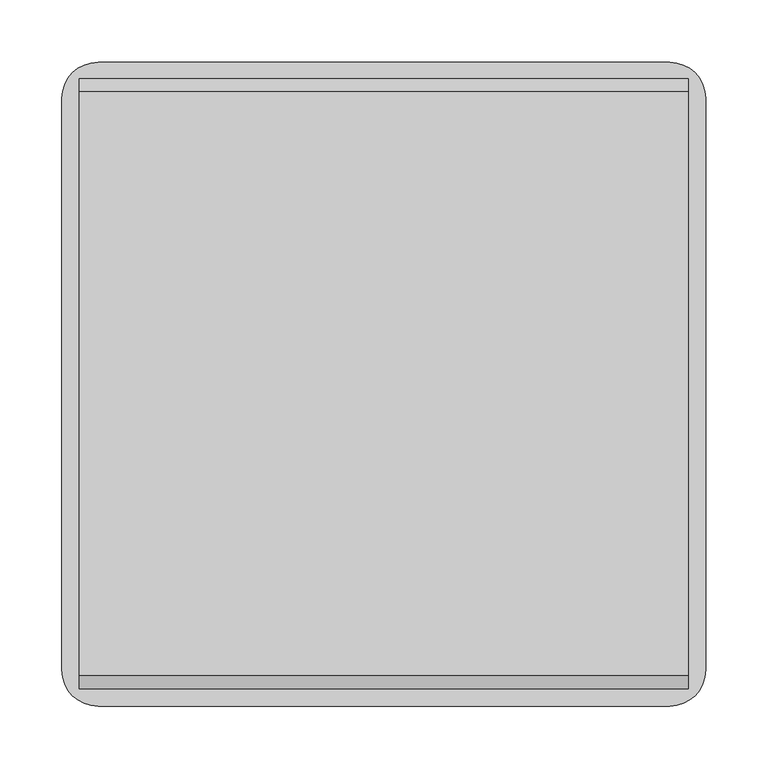
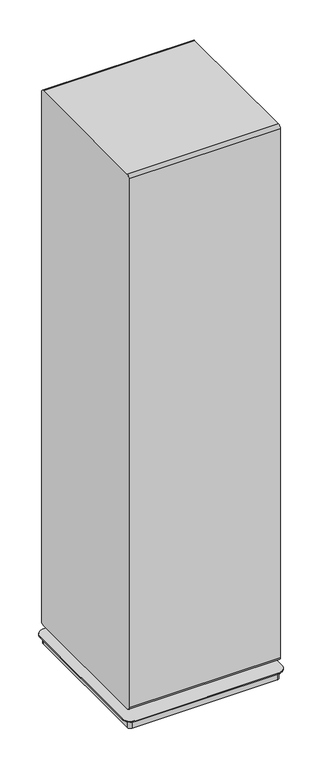
"""IFC4 building model written with IfcOpenShell, lengths in millimetres: furniture geometry."""

import ifcopenshell
import ifcopenshell.guid

model = None  # the IFC model being written
_history = None  # IfcOwnerHistory: only IFC2X3 demands one
_inside = {}  # id of a spatial element -> (the spatial element, [elements in it])
_under = {}  # id of a project, library or spatial element -> (it, [spatial elements below it])
_declared = {}  # id of a project -> (the project, [libraries it declares])
_typed = {}  # id of a type object -> (the type object, [elements of that type])
_made_of = {}  # id of a material, layer set ... -> (it, [elements and type objects made of it])


def new_model(schema):
    """Start an empty IFC model of exactly this schema.

    Asked for "IFC4X3", IfcOpenShell would pick the latest addendum, in which some entities
    have other attributes; the version numbers below select the first issue.
    IFC2X3 requires an IfcOwnerHistory on every rooted entity: one is made here for all.
    """
    global model, _history
    if schema == "IFC4X3":
        model = ifcopenshell.file(schema_version=(4, 3, 0, 0))
    else:
        model = ifcopenshell.file(schema=schema)
    _inside.clear()
    _under.clear()
    _declared.clear()
    _typed.clear()
    _made_of.clear()
    _history = None
    if model.schema == "IFC2X3":
        org = make("IfcOrganization", Name="unknown")
        user = make(
            "IfcPersonAndOrganization",
            ThePerson=make("IfcPerson", FamilyName="unknown"),
            TheOrganization=org,
        )
        app = make(
            "IfcApplication",
            ApplicationDeveloper=org,
            Version="unknown",
            ApplicationFullName="unknown",
            ApplicationIdentifier="unknown",
        )
        _history = make(
            "IfcOwnerHistory",
            OwningUser=user,
            OwningApplication=app,
            ChangeAction="ADDED",
            CreationDate=0,
        )
    return model


def make(cls, **values):
    """One entity of the class cls with the attributes given. An attribute that is None is left unset."""
    return model.create_entity(
        cls, **{name: value for name, value in values.items() if value is not None}
    )


def rooted(cls, **values):
    """An entity with a GlobalId (a new one), such as an element, a storey or a relation."""
    return make(cls, GlobalId=ifcopenshell.guid.new(), OwnerHistory=_history, **values)


def si_unit(unit_type, name, prefix=None):
    """IfcSIUnit, for example si_unit("LENGTHUNIT", "METRE", prefix="MILLI")."""
    return make("IfcSIUnit", UnitType=unit_type, Prefix=prefix, Name=name)


def assignment(units):
    """IfcUnitAssignment: the units of a project."""
    return None if units is None else make("IfcUnitAssignment", Units=units)


def point(xyz):
    """IfcCartesianPoint."""
    return None if xyz is None else make("IfcCartesianPoint", Coordinates=xyz)


def direction(xyz):
    """IfcDirection."""
    return None if xyz is None else make("IfcDirection", DirectionRatios=xyz)


def frame(location, z_axis=None, x_axis=None):
    """IfcAxis2Placement3D, a coordinate frame: its origin and axes. An axis left out is left unset."""
    return make(
        "IfcAxis2Placement3D",
        Location=point(location),
        Axis=direction(z_axis),
        RefDirection=direction(x_axis),
    )


def frame_2d(location, x_axis=None):
    """IfcAxis2Placement2D, a coordinate frame in the plane: its origin and x axis."""
    return make(
        "IfcAxis2Placement2D", Location=point(location), RefDirection=direction(x_axis)
    )


def origin():
    """The frame at (0, 0, 0) with its axes left unset."""
    return frame((0.0, 0.0, 0.0))


def place(relative_to, where):
    """IfcLocalPlacement: puts the frame where relative to a parent placement (None: the world)."""
    return make(
        "IfcLocalPlacement", PlacementRelTo=relative_to, RelativePlacement=where
    )


def context(
    kind, dimensions, precision=None, world=None, true_north=None, identifier=None
):
    """IfcGeometricRepresentationContext, for example the 3D "Model" context."""
    return make(
        "IfcGeometricRepresentationContext",
        ContextIdentifier=identifier,
        ContextType=kind,
        CoordinateSpaceDimension=dimensions,
        Precision=precision,
        WorldCoordinateSystem=world,
        TrueNorth=true_north,
    )


def project(units=None, contexts=None):
    """IfcProject with its units and contexts."""
    return rooted(
        "IfcProject",
        Name="project",
        RepresentationContexts=contexts,
        UnitsInContext=assignment(units),
    )


def spatial(cls, under=None, at=None, **own):
    """A site, building, storey or space (cls), placed at a placement, below another one or the project."""
    s = rooted(cls, ObjectPlacement=at, **own)
    if under is not None:
        _under.setdefault(under.id(), (under, []))[1].append(s)
    return s


def polyline(points):
    """IfcPolyline through the points."""
    return make("IfcPolyline", Points=[point(p) for p in points])


def circle_curve(where, radius):
    """IfcCircle in the frame where."""
    return make("IfcCircle", Position=where, Radius=radius)


def trimmed(basis, trim1, trim2, sense, master):
    """IfcTrimmedCurve: the piece of a basis curve between two trims."""
    return make(
        "IfcTrimmedCurve",
        BasisCurve=basis,
        Trim1=trim1,
        Trim2=trim2,
        SenseAgreement=sense,
        MasterRepresentation=master,
    )


def segment(curve, same_sense, transition):
    """IfcCompositeCurveSegment."""
    return make(
        "IfcCompositeCurveSegment",
        Transition=transition,
        SameSense=same_sense,
        ParentCurve=curve,
    )


def composite_curve(segments, self_intersect=None):
    """IfcCompositeCurve: segments joined end to end."""
    return make("IfcCompositeCurve", Segments=segments, SelfIntersect=self_intersect)


def outline(outer, holes=None, kind="AREA"):
    """IfcArbitraryClosedProfileDef: a profile drawn as a closed curve; with holes, ...WithVoids."""
    if holes is None:
        return make("IfcArbitraryClosedProfileDef", ProfileType=kind, OuterCurve=outer)
    return make(
        "IfcArbitraryProfileDefWithVoids",
        ProfileType=kind,
        OuterCurve=outer,
        InnerCurves=holes,
    )


def extrude(swept, where, along, depth):
    """IfcExtrudedAreaSolid: the profile swept, set in the frame where, extruded along a direction by depth."""
    return make(
        "IfcExtrudedAreaSolid",
        SweptArea=swept,
        Position=where,
        ExtrudedDirection=direction(along),
        Depth=depth,
    )


def shape(context_of_items, identifier, shape_type, items):
    """IfcShapeRepresentation: the items that make up one representation, for example the "Body"."""
    return make(
        "IfcShapeRepresentation",
        ContextOfItems=context_of_items,
        RepresentationIdentifier=identifier,
        RepresentationType=shape_type,
        Items=items,
    )


def source(mapping_origin, context_of_items, identifier, shape_type, items):
    """IfcRepresentationMap: a shape defined once, which mapped items show again and again."""
    return make(
        "IfcRepresentationMap",
        MappingOrigin=mapping_origin,
        MappedRepresentation=shape(context_of_items, identifier, shape_type, items),
    )


def transform(
    local_origin,
    x_axis=None,
    y_axis=None,
    z_axis=None,
    scale=None,
    scale2=None,
    scale3=None,
    uniform=True,
):
    """IfcCartesianTransformationOperator3D, or its non-uniform kind. x_axis, y_axis, z_axis: its Axis1, 2, 3."""
    if uniform:
        return make(
            "IfcCartesianTransformationOperator3D",
            Axis1=direction(x_axis),
            Axis2=direction(y_axis),
            LocalOrigin=point(local_origin),
            Scale=scale,
            Axis3=direction(z_axis),
        )
    return make(
        "IfcCartesianTransformationOperator3DnonUniform",
        Axis1=direction(x_axis),
        Axis2=direction(y_axis),
        LocalOrigin=point(local_origin),
        Scale=scale,
        Axis3=direction(z_axis),
        Scale2=scale2,
        Scale3=scale3,
    )


def mapped(mapping_source, mapping_target):
    """IfcMappedItem: shows the shape of a source again, moved by a transform."""
    return make(
        "IfcMappedItem", MappingSource=mapping_source, MappingTarget=mapping_target
    )


def made_of(thing, what):
    """Note that an element or type object is made of a material, layer set ...; save() writes the relation."""
    if what is not None:
        _made_of.setdefault(what.id(), (what, []))[1].append(thing)
    return thing


def element(
    cls,
    number,
    at=None,
    inside=None,
    cuts=None,
    type_object=None,
    material=None,
    context=None,
    identifier="Body",
    shape_type=None,
    held_by="IfcProductDefinitionShape",
    body=None,
    shapes=None,
    **own,
):
    """One element of the class cls, such as IfcWall. Its Tag is "e" and its number.

    at: its placement. inside: the storey or other place that contains it. cuts: it is an
    opening in that element (IfcRelVoidsElement). A single representation is given by context,
    identifier, shape_type and body (its items); several are given by shapes. held_by: the class
    of the entity that holds the representations. save() writes the other relations.
    """
    e = rooted(cls, Tag="e%d" % number, ObjectPlacement=at, **own)
    if body is not None:
        shapes = [shape(context, identifier, shape_type, body)]
    if shapes is not None:
        e.Representation = make(held_by, Representations=shapes)
    if inside is not None:
        _inside.setdefault(inside.id(), (inside, []))[1].append(e)
    if cuts is not None:
        rooted(
            "IfcRelVoidsElement", RelatingBuildingElement=cuts, RelatedOpeningElement=e
        )
    if type_object is not None:
        _typed.setdefault(type_object.id(), (type_object, []))[1].append(e)
    return made_of(e, material)


def aggregate(whole, parts):
    """IfcRelAggregates: a whole, such as a stair, and the parts it consists of."""
    return rooted("IfcRelAggregates", RelatingObject=whole, RelatedObjects=parts)


def save(model, path):
    """Write the relations noted so far, then the file.

    IfcRelAggregates (storeys below a building ...), IfcRelContainedInSpatialStructure (elements
    in a storey), IfcRelDefinesByType, IfcRelAssociatesMaterial and IfcRelDeclares: one each for
    every whole, place, type object, material and project.
    """
    for whole, parts in _under.values():
        aggregate(whole, parts)
    for where, things in _inside.values():
        rooted(
            "IfcRelContainedInSpatialStructure",
            RelatedElements=things,
            RelatingStructure=where,
        )
    for kind, things in _typed.values():
        rooted("IfcRelDefinesByType", RelatedObjects=things, RelatingType=kind)
    for what, things in _made_of.values():
        rooted("IfcRelAssociatesMaterial", RelatedObjects=things, RelatingMaterial=what)
    for by, libraries in _declared.values():
        rooted("IfcRelDeclares", RelatingContext=by, RelatedDefinitions=libraries)
    model.write(path)


def plane_surface(at):
    """IfcPlane: the flat surface through the origin of the frame at, square to its z axis."""
    return make("IfcPlane", Position=at)


def cylinder_surface(at, radius):
    """IfcCylindricalSurface: all points at the distance radius from the z axis of the frame at."""
    return make("IfcCylindricalSurface", Position=at, Radius=radius)


def advanced_brep(points, edges, surfaces, faces):
    """IfcAdvancedBrep: a solid bounded by faces that lie on surfaces and meet in shared edges.

    An edge is (start, end): straight between two places in points (the first is 0);
    or (start, end, curve); or (start, end, curve, False) where it runs against its curve.
    A face is (place in surfaces, loops), or (place, loops, False) where it looks against
    its surface's normal. A loop lists edges by number (the first is 1), with a minus sign
    where the edge is run from its end to its start. The first loop is the outer one.
    """
    corners = [point(p) for p in points]
    vertices = [make("IfcVertexPoint", VertexGeometry=c) for c in corners]
    made = []
    for start, end, *more in edges:
        made.append(
            make(
                "IfcEdgeCurve",
                EdgeStart=vertices[start],
                EdgeEnd=vertices[end],
                EdgeGeometry=more[0] if more else make("IfcPolyline", Points=[corners[start], corners[end]]),
                SameSense=more[1] if len(more) > 1 else True,
            )
        )
    hull = []
    for where, loops, *sense in faces:
        bounds = []
        for j, loop in enumerate(loops):
            ring = [make("IfcOrientedEdge", EdgeElement=made[abs(k) - 1], Orientation=k > 0) for k in loop]
            bounds.append(
                make(
                    "IfcFaceOuterBound" if j == 0 else "IfcFaceBound",
                    Bound=make("IfcEdgeLoop", EdgeList=ring),
                    Orientation=True,
                )
            )
        hull.append(make("IfcAdvancedFace", Bounds=bounds, FaceSurface=surfaces[where], SameSense=sense[0] if sense else True))
    return make("IfcAdvancedBrep", Outer=make("IfcClosedShell", CfsFaces=hull))


def furniture_6dbfd1be(model_context):
    return source(origin(), model_context, "Body", "SolidModel", [
        extrude(outline(composite_curve([segment(polyline([(290.6410876, 1889.4598963), (290.6410876, 73.6296543)]), True, "CONTINUOUS"), segment(trimmed(circle_curve(frame_2d((281.0114376, 73.6296543)), 9.62965), [point((290.6410876, 73.6296543))], [point((281.0114376, 64.0000043))], False, "CARTESIAN"), True, "CONTINUOUS"), segment(polyline([(281.0114376, 64.0000043), (-192.1114376, 64.0000043)]), True, "CONTINUOUS"), segment(trimmed(circle_curve(frame_2d((-192.1114376, 73.6296543)), 9.62965), [point((-192.1114376, 64.0000043))], [point((-201.7410876, 73.6296543))], False, "CARTESIAN"), True, "CONTINUOUS"), segment(polyline([(-201.7410876, 73.6296543), (-201.7410876, 1889.4598963)]), True, "CONTINUOUS"), segment(trimmed(circle_curve(frame_2d((-191.2611401, 1889.4598963)), 10.4799474), [point((-201.7410876, 1889.4598963))], [point((-191.2611401, 1899.9398437))], False, "CARTESIAN"), True, "CONTINUOUS"), segment(polyline([(-191.2611401, 1899.9398437), (280.1611401, 1899.9398437)]), True, "CONTINUOUS"), segment(trimmed(circle_curve(frame_2d((280.1611401, 1889.4598963)), 10.4799474), [point((280.1611401, 1899.9398437))], [point((290.6410876, 1889.4598963))], False, "CARTESIAN"), True, "CONTINUOUS")], self_intersect=False)), frame((574.621703, 0.0, 0.0), z_axis=(1.0, 0.0, 0.0), x_axis=(0.0, 1.0, 0.0)), (0.0, 0.0, 1.0), 491.9054206),
        advanced_brep(
        [(1051.3572258, 304.403125, 33.0000002), (589.7738875, 304.403125, 33.0000002), (560.6212883, 275.2505257, 33.0000002), (560.6212883, -186.3328125, 33.0000002), (589.7916008, -215.503125, 33.0000002), (1051.3572258, -215.503125, 33.0000002), (1080.5275383, -186.3328125, 33.0000002), (1080.5275383, 275.2328125, 33.0000002), (660.5044457, 214.4034084, 33.0000002), (640.5808102, 214.4034084, 33.0000002), (1000.5680164, 214.4034084, 33.0000002), (980.6443808, 214.4034084, 33.0000002), (660.5044457, -125.5034084, 33.0000002), (640.5808102, -125.5034084, 33.0000002), (1000.5680164, -125.5034084, 33.0000002), (980.6443808, -125.5034084, 33.0000002), (1051.3572258, 304.403125, 30.0000016), (1080.5275383, 275.2328125, 30.0000016), (1080.5275383, -186.3328125, 30.0000016), (1051.3572258, -215.503125, 30.0000016), (589.7916008, -215.503125, 30.0000016), (560.6212883, -186.3328125, 30.0000016), (560.6212883, 275.2505257, 30.0000016), (589.7738875, 304.403125, 30.0000016), (584.1152247, 290.4742373, 30.0000016), (574.7886622, 281.1476748, 30.0000016), (574.7886622, -191.8652105, 30.0000016), (584.1152247, -201.191773, 30.0000016), (1057.1281646, -201.191773, 30.0000016), (1066.4547271, -191.8652105, 30.0000016), (1066.4547271, 281.1066599, 30.0000016), (1057.0871496, 290.4742373, 30.0000016), (584.1152247, 290.4742373, 0.0), (1057.0871496, 290.4742373, 0.0), (1066.4547271, 281.1066599, 0.0), (1066.4547271, -191.8652105, 0.0), (1057.1281646, -201.191773, 0.0), (584.1152247, -201.191773, 0.0), (574.7886622, -191.8652105, 0.0), (574.7886622, 281.1476748, 0.0), (640.5808102, 214.4034084, 64.0000043), (660.5044457, 214.4034084, 64.0000043), (980.6443808, 214.4034084, 64.0000043), (1000.5680164, 214.4034084, 64.0000043), (640.5808102, -125.5034084, 64.0000043), (660.5044457, -125.5034084, 64.0000043), (980.6443808, -125.5034084, 64.0000043), (1000.5680164, -125.5034084, 64.0000043)],
        [
            (0, 1),
            (1, 2, circle_curve(frame((589.7738875, 275.2505257, 33.0000002), z_axis=(0.0, 0.0, 1.0), x_axis=(1.0, 0.0, 0.0)), 29.1525993)),
            (2, 3),
            (3, 4, circle_curve(frame((589.7916008, -186.3328125, 33.0000002), z_axis=(0.0, 0.0, 1.0), x_axis=(1.0, 0.0, 0.0)), 29.1703125)),
            (4, 5),
            (5, 6, circle_curve(frame((1051.3572258, -186.3328125, 33.0000002), z_axis=(0.0, 0.0, 1.0), x_axis=(1.0, 0.0, 0.0)), 29.1703125)),
            (6, 7),
            (7, 0, circle_curve(frame((1051.3572258, 275.2328125, 33.0000002), z_axis=(0.0, 0.0, 1.0), x_axis=(1.0, 0.0, 0.0)), 29.1703125)),
            (8, 9, circle_curve(frame((650.5426279, 214.4034084, 33.0000002), z_axis=(0.0, 0.0, -1.0), x_axis=(1.0, 0.0, 0.0)), 9.9618178)),
            (9, 8, circle_curve(frame((650.5426279, 214.4034084, 33.0000002), z_axis=(0.0, 0.0, -1.0), x_axis=(1.0, 0.0, 0.0)), 9.9618178)),
            (10, 11, circle_curve(frame((990.6061986, 214.4034084, 33.0000002), z_axis=(0.0, 0.0, -1.0), x_axis=(1.0, 0.0, 0.0)), 9.9618178)),
            (11, 10, circle_curve(frame((990.6061986, 214.4034084, 33.0000002), z_axis=(0.0, 0.0, -1.0), x_axis=(1.0, 0.0, 0.0)), 9.9618178)),
            (12, 13, circle_curve(frame((650.5426279, -125.5034084, 33.0000002), z_axis=(0.0, 0.0, -1.0), x_axis=(1.0, 0.0, 0.0)), 9.9618178)),
            (13, 12, circle_curve(frame((650.5426279, -125.5034084, 33.0000002), z_axis=(0.0, 0.0, -1.0), x_axis=(1.0, 0.0, 0.0)), 9.9618178)),
            (14, 15, circle_curve(frame((990.6061986, -125.5034084, 33.0000002), z_axis=(0.0, 0.0, -1.0), x_axis=(1.0, 0.0, 0.0)), 9.9618178)),
            (15, 14, circle_curve(frame((990.6061986, -125.5034084, 33.0000002), z_axis=(0.0, 0.0, -1.0), x_axis=(1.0, 0.0, 0.0)), 9.9618178)),
            (16, 17, circle_curve(frame((1051.3572258, 275.2328125, 30.0000016), z_axis=(0.0, 0.0, -1.0), x_axis=(1.0, 0.0, 0.0)), 29.1703125)),
            (17, 18),
            (18, 19, circle_curve(frame((1051.3572258, -186.3328125, 30.0000016), z_axis=(0.0, 0.0, -1.0), x_axis=(1.0, 0.0, 0.0)), 29.1703125)),
            (19, 20),
            (20, 21, circle_curve(frame((589.7916008, -186.3328125, 30.0000016), z_axis=(0.0, 0.0, -1.0), x_axis=(1.0, 0.0, 0.0)), 29.1703125)),
            (21, 22),
            (22, 23, circle_curve(frame((589.7738875, 275.2505257, 30.0000016), z_axis=(0.0, 0.0, -1.0), x_axis=(1.0, 0.0, 0.0)), 29.1525993)),
            (23, 16),
            (24, 25, circle_curve(frame((584.1152247, 281.1476748, 30.0000016), z_axis=(0.0, 0.0, 1.0), x_axis=(1.0, 0.0, 0.0)), 9.3265625)),
            (25, 26),
            (26, 27, circle_curve(frame((584.1152247, -191.8652105, 30.0000016), z_axis=(0.0, 0.0, 1.0), x_axis=(1.0, 0.0, 0.0)), 9.3265625)),
            (27, 28),
            (28, 29, circle_curve(frame((1057.1281646, -191.8652105, 30.0000016), z_axis=(0.0, 0.0, 1.0), x_axis=(1.0, 0.0, 0.0)), 9.3265625)),
            (29, 30),
            (30, 31, circle_curve(frame((1057.0871496, 281.1066599, 30.0000016), z_axis=(0.0, 0.0, 1.0), x_axis=(1.0, 0.0, 0.0)), 9.3675774)),
            (31, 24),
            (32, 33),
            (33, 34, circle_curve(frame((1057.0871496, 281.1066599, 0.0), z_axis=(0.0, 0.0, -1.0), x_axis=(1.0, 0.0, 0.0)), 9.3675774)),
            (34, 35),
            (35, 36, circle_curve(frame((1057.1281646, -191.8652105, 0.0), z_axis=(0.0, 0.0, -1.0), x_axis=(1.0, 0.0, 0.0)), 9.3265625)),
            (36, 37),
            (37, 38, circle_curve(frame((584.1152247, -191.8652105, 0.0), z_axis=(0.0, 0.0, -1.0), x_axis=(1.0, 0.0, 0.0)), 9.3265625)),
            (38, 39),
            (39, 32, circle_curve(frame((584.1152247, 281.1476748, 0.0), z_axis=(0.0, 0.0, -1.0), x_axis=(1.0, 0.0, 0.0)), 9.3265625)),
            (40, 41, circle_curve(frame((650.5426279, 214.4034084, 64.0000043), z_axis=(0.0, 0.0, 1.0), x_axis=(1.0, 0.0, 0.0)), 9.9618178)),
            (41, 40, circle_curve(frame((650.5426279, 214.4034084, 64.0000043), z_axis=(0.0, 0.0, 1.0), x_axis=(1.0, 0.0, 0.0)), 9.9618178)),
            (42, 43, circle_curve(frame((990.6061986, 214.4034084, 64.0000043), z_axis=(0.0, 0.0, 1.0), x_axis=(1.0, 0.0, 0.0)), 9.9618178)),
            (43, 42, circle_curve(frame((990.6061986, 214.4034084, 64.0000043), z_axis=(0.0, 0.0, 1.0), x_axis=(1.0, 0.0, 0.0)), 9.9618178)),
            (44, 45, circle_curve(frame((650.5426279, -125.5034084, 64.0000043), z_axis=(0.0, 0.0, 1.0), x_axis=(1.0, 0.0, 0.0)), 9.9618178)),
            (45, 44, circle_curve(frame((650.5426279, -125.5034084, 64.0000043), z_axis=(0.0, 0.0, 1.0), x_axis=(1.0, 0.0, 0.0)), 9.9618178)),
            (46, 47, circle_curve(frame((990.6061986, -125.5034084, 64.0000043), z_axis=(0.0, 0.0, 1.0), x_axis=(1.0, 0.0, 0.0)), 9.9618178)),
            (47, 46, circle_curve(frame((990.6061986, -125.5034084, 64.0000043), z_axis=(0.0, 0.0, 1.0), x_axis=(1.0, 0.0, 0.0)), 9.9618178)),
            (0, 16),
            (23, 1),
            (22, 2),
            (21, 3),
            (20, 4),
            (19, 5),
            (18, 6),
            (17, 7),
            (39, 25),
            (24, 32),
            (38, 26),
            (37, 27),
            (36, 28),
            (35, 29),
            (34, 30),
            (33, 31),
            (40, 9),
            (8, 41),
            (42, 11),
            (10, 43),
            (44, 13),
            (12, 45),
            (46, 15),
            (14, 47),
        ],
        [
            plane_surface(frame((-535.8236186, 304.403125, 33.0000002), z_axis=(0.0, 0.0, 1.0), x_axis=(-1.0, 0.0, 0.0))),
            plane_surface(frame((-535.8236186, 304.403125, 30.0000016), z_axis=(0.0, 0.0, -1.0), x_axis=(1.0, 0.0, 0.0))),
            plane_surface(frame((593.4417872, 281.1476748, 0.0), z_axis=(0.0, 0.0, -1.0), x_axis=(0.0, -1.0, 0.0))),
            plane_surface(frame((660.5044457, 214.4034084, 64.0000043), z_axis=(0.0, 0.0, 1.0), x_axis=(0.0, 1.0, 0.0))),
            plane_surface(frame((1051.3572258, 304.403125, 33.0000002), z_axis=(0.0, 1.0, 0.0), x_axis=(0.0, 0.0, -1.0))),
            cylinder_surface(frame((589.7738875, 275.2505257, 30.0000016), z_axis=(0.0, 0.0, 1.0), x_axis=(1.0, 0.0, 0.0)), 29.1525993),
            plane_surface(frame((560.6212883, 275.2505257, 33.0000002), z_axis=(-1.0, 0.0, 0.0), x_axis=(0.0, 0.0, -1.0))),
            cylinder_surface(frame((589.7916008, -186.3328125, 30.0000016), z_axis=(0.0, 0.0, 1.0), x_axis=(1.0, 0.0, 0.0)), 29.1703125),
            plane_surface(frame((589.7916008, -215.503125, 33.0000002), z_axis=(0.0, -1.0, 0.0), x_axis=(0.0, 0.0, -1.0))),
            cylinder_surface(frame((1051.3572258, -186.3328125, 30.0000016), z_axis=(0.0, 0.0, 1.0), x_axis=(1.0, 0.0, 0.0)), 29.1703125),
            plane_surface(frame((1080.5275383, -186.3328125, 33.0000002), z_axis=(1.0, 0.0, 0.0), x_axis=(0.0, 0.0, -1.0))),
            cylinder_surface(frame((1051.3572258, 275.2328125, 30.0000016), z_axis=(0.0, 0.0, 1.0), x_axis=(1.0, 0.0, 0.0)), 29.1703125),
            cylinder_surface(frame((584.1152247, 281.1476748, 0.0), z_axis=(0.0, 0.0, 1.0), x_axis=(1.0, 0.0, 0.0)), 9.3265625),
            plane_surface(frame((574.7886622, 281.1476748, 30.0000016), z_axis=(-1.0, 0.0, 0.0), x_axis=(0.0, 0.0, -1.0))),
            cylinder_surface(frame((584.1152247, -191.8652105, 0.0), z_axis=(0.0, 0.0, 1.0), x_axis=(1.0, 0.0, 0.0)), 9.3265625),
            plane_surface(frame((584.1152247, -201.191773, 30.0000016), z_axis=(0.0, -1.0, 0.0), x_axis=(0.0, 0.0, -1.0))),
            cylinder_surface(frame((1057.1281646, -191.8652105, 0.0), z_axis=(0.0, 0.0, 1.0), x_axis=(1.0, 0.0, 0.0)), 9.3265625),
            plane_surface(frame((1066.4547271, -191.8652105, 30.0000016), z_axis=(1.0, 0.0, 0.0), x_axis=(0.0, 0.0, -1.0))),
            cylinder_surface(frame((1057.0871496, 281.1066599, 0.0), z_axis=(0.0, 0.0, 1.0), x_axis=(1.0, 0.0, 0.0)), 9.3675774),
            plane_surface(frame((1057.0871496, 290.4742373, 30.0000016), z_axis=(0.0, 1.0, 0.0), x_axis=(0.0, 0.0, -1.0))),
            cylinder_surface(frame((650.5426279, 214.4034084, 33.0000002), z_axis=(0.0, 0.0, 1.0), x_axis=(1.0, 0.0, 0.0)), 9.9618178),
            cylinder_surface(frame((990.6061986, 214.4034084, 0.0), z_axis=(0.0, 0.0, 1.0), x_axis=(1.0, 0.0, 0.0)), 9.9618178),
            cylinder_surface(frame((650.5426279, -125.5034084, 0.0), z_axis=(0.0, 0.0, 1.0), x_axis=(1.0, 0.0, 0.0)), 9.9618178),
            cylinder_surface(frame((990.6061986, -125.5034084, 0.0), z_axis=(0.0, 0.0, 1.0), x_axis=(1.0, 0.0, 0.0)), 9.9618178),
        ],
        [
            (0, [[1, 2, 3, 4, 5, 6, 7, 8], [9, 10], [11, 12], [13, 14], [15, 16]]),
            (1, [[17, 18, 19, 20, 21, 22, 23, 24], [25, 26, 27, 28, 29, 30, 31, 32]]),
            (2, [[33, 34, 35, 36, 37, 38, 39, 40]]),
            (3, [[41, 42]]),
            (3, [[43, 44]]),
            (3, [[45, 46]]),
            (3, [[47, 48]]),
            (4, [[-1, 49, -24, 50]]),
            (5, [[-2, -50, -23, 51]]),
            (6, [[-3, -51, -22, 52]]),
            (7, [[-4, -52, -21, 53]]),
            (8, [[-5, -53, -20, 54]]),
            (9, [[-6, -54, -19, 55]]),
            (10, [[-7, -55, -18, 56]]),
            (11, [[-8, -56, -17, -49]]),
            (12, [[-40, 57, -25, 58]]),
            (13, [[-39, 59, -26, -57]]),
            (14, [[-38, 60, -27, -59]]),
            (15, [[-37, 61, -28, -60]]),
            (16, [[-36, 62, -29, -61]]),
            (17, [[-35, 63, -30, -62]]),
            (18, [[-34, 64, -31, -63]]),
            (19, [[-33, -58, -32, -64]]),
            (20, [[-41, 65, -9, 66]]),
            (20, [[-42, -66, -10, -65]]),
            (21, [[-43, 67, -11, 68]]),
            (21, [[-44, -68, -12, -67]]),
            (22, [[-45, 69, -13, 70]]),
            (22, [[-46, -70, -14, -69]]),
            (23, [[-47, 71, -15, 72]]),
            (23, [[-48, -72, -16, -71]]),
        ],
    ),
    ])


if __name__ == "__main__":
    model = new_model("IFC4")
    model_context = context("Model", 3, world=origin())
    ifc_project = project(units=[si_unit("LENGTHUNIT", "METRE", prefix="MILLI")], contexts=[model_context])
    site = spatial("IfcSite", under=ifc_project)
    building = spatial("IfcBuilding", under=site)
    placement = place(None, origin())
    furniture_shape = furniture_6dbfd1be(model_context)
    element("IfcFurniture", 1, at=placement, inside=building, context=model_context, shape_type="MappedRepresentation", body=[
        mapped(furniture_shape, transform((0.0, 0.0, 0.0), x_axis=(1.0, 0.0, 0.0), y_axis=(0.0, 1.0, 0.0), z_axis=(0.0, 0.0, 1.0))),
    ])
    save(model, "model.ifc")
